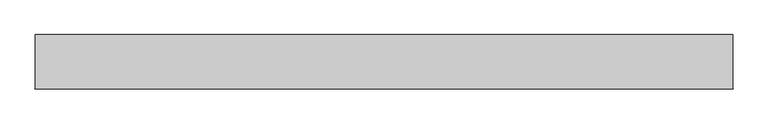
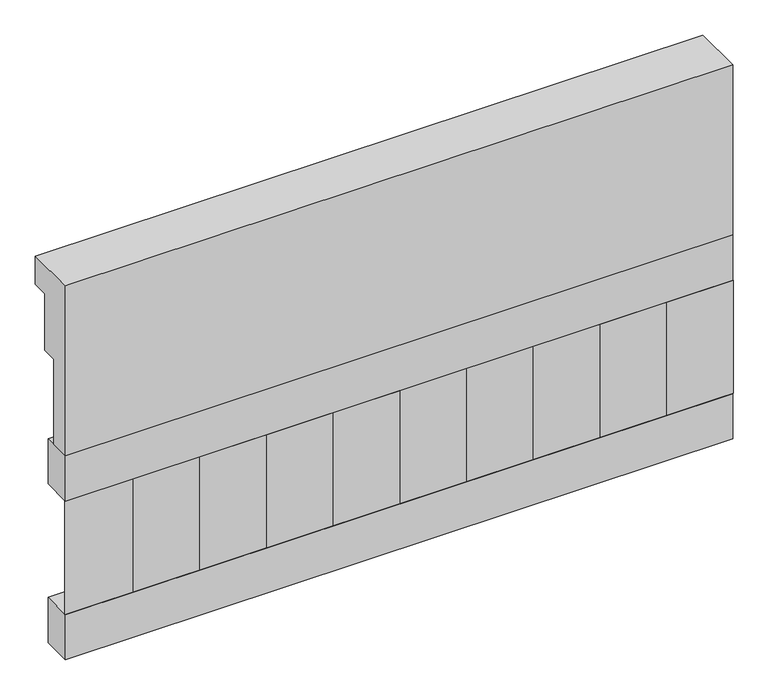
"""IFC4 building model written with IfcOpenShell, lengths in millimetres: railing geometry."""

from ifc_helpers import new_model, si_unit, frame, origin, place, context, project, spatial, polyline, outline, extrude, source, transform, mapped, element, save


def railing_798dd999(model_context):
    return source(origin(), model_context, "Body", "SweptSolid", [
        extrude(outline(polyline([(903.1079487, 28400.0), (1033.1079487, 28400.0), (1033.1079487, 28325.0), (993.1079487, 28325.0), (993.1079487, 28175.0), (953.1079487, 28175.0), (953.1079487, 27950.0), (903.1079487, 27950.0), (903.1079487, 28400.0)])), frame((-40039.9887159, 0.0, 0.0), z_axis=(1.0, 0.0, 0.0), x_axis=(0.0, 1.0, 0.0)), (0.0, 0.0, 1.0), 1670.0),
        extrude(outline(polyline([(-38369.9887159, 978.1079487), (-38369.9887159, 903.1079487), (-40039.9887159, 903.1079487), (-40039.9887159, 978.1079487), (-38369.9887159, 978.1079487)])), frame((0.0, 0.0, 27830.0), z_axis=(0.0, 0.0, 1.0), x_axis=(1.0, 0.0, 0.0)), (0.0, 0.0, 1.0), 120.0),
        extrude(outline(polyline([(-38369.9887159, 978.1079487), (-38369.9887159, 903.1079487), (-40039.9887159, 903.1079487), (-40039.9887159, 978.1079487), (-38369.9887159, 978.1079487)])), frame((0.0, 0.0, 27410.0), z_axis=(0.0, 0.0, 1.0), x_axis=(1.0, 0.0, 0.0)), (0.0, 0.0, 1.0), 120.0),
        extrude(outline(polyline([(-39956.4887159, 987.9607624), (-39871.6359022, 903.1079487), (-40041.3415296, 903.1079487), (-39956.4887159, 987.9607624)])), frame((0.0, 0.0, 27530.0), z_axis=(0.0, 0.0, 1.0), x_axis=(1.0, 0.0, 0.0)), (0.0, 0.0, 1.0), 300.0),
        extrude(outline(polyline([(-39789.4887159, 987.9607624), (-39704.6359022, 903.1079487), (-39874.3415296, 903.1079487), (-39789.4887159, 987.9607624)])), frame((0.0, 0.0, 27530.0), z_axis=(0.0, 0.0, 1.0), x_axis=(1.0, 0.0, 0.0)), (0.0, 0.0, 1.0), 300.0),
        extrude(outline(polyline([(-39622.4887159, 987.9607624), (-39537.6359022, 903.1079487), (-39707.3415296, 903.1079487), (-39622.4887159, 987.9607624)])), frame((0.0, 0.0, 27530.0), z_axis=(0.0, 0.0, 1.0), x_axis=(1.0, 0.0, 0.0)), (0.0, 0.0, 1.0), 300.0),
        extrude(outline(polyline([(-39455.4887159, 987.9607624), (-39370.6359022, 903.1079487), (-39540.3415296, 903.1079487), (-39455.4887159, 987.9607624)])), frame((0.0, 0.0, 27530.0), z_axis=(0.0, 0.0, 1.0), x_axis=(1.0, 0.0, 0.0)), (0.0, 0.0, 1.0), 300.0),
        extrude(outline(polyline([(-39288.4887159, 987.9607624), (-39203.6359022, 903.1079487), (-39373.3415296, 903.1079487), (-39288.4887159, 987.9607624)])), frame((0.0, 0.0, 27530.0), z_axis=(0.0, 0.0, 1.0), x_axis=(1.0, 0.0, 0.0)), (0.0, 0.0, 1.0), 300.0),
        extrude(outline(polyline([(-39121.4887159, 987.9607624), (-39036.6359022, 903.1079487), (-39206.3415296, 903.1079487), (-39121.4887159, 987.9607624)])), frame((0.0, 0.0, 27530.0), z_axis=(0.0, 0.0, 1.0), x_axis=(1.0, 0.0, 0.0)), (0.0, 0.0, 1.0), 300.0),
        extrude(outline(polyline([(-38954.4887159, 987.9607624), (-38869.6359022, 903.1079487), (-39039.3415296, 903.1079487), (-38954.4887159, 987.9607624)])), frame((0.0, 0.0, 27530.0), z_axis=(0.0, 0.0, 1.0), x_axis=(1.0, 0.0, 0.0)), (0.0, 0.0, 1.0), 300.0),
        extrude(outline(polyline([(-38787.4887159, 987.9607624), (-38702.6359022, 903.1079487), (-38872.3415296, 903.1079487), (-38787.4887159, 987.9607624)])), frame((0.0, 0.0, 27530.0), z_axis=(0.0, 0.0, 1.0), x_axis=(1.0, 0.0, 0.0)), (0.0, 0.0, 1.0), 300.0),
        extrude(outline(polyline([(-38620.4887159, 987.9607624), (-38535.6359022, 903.1079487), (-38705.3415296, 903.1079487), (-38620.4887159, 987.9607624)])), frame((0.0, 0.0, 27530.0), z_axis=(0.0, 0.0, 1.0), x_axis=(1.0, 0.0, 0.0)), (0.0, 0.0, 1.0), 300.0),
        extrude(outline(polyline([(-38453.4887159, 987.9607624), (-38368.6359022, 903.1079487), (-38538.3415296, 903.1079487), (-38453.4887159, 987.9607624)])), frame((0.0, 0.0, 27530.0), z_axis=(0.0, 0.0, 1.0), x_axis=(1.0, 0.0, 0.0)), (0.0, 0.0, 1.0), 300.0),
    ])


if __name__ == "__main__":
    model = new_model("IFC4")
    model_context = context("Model", 3, world=origin())
    ifc_project = project(units=[si_unit("LENGTHUNIT", "METRE", prefix="MILLI")], contexts=[model_context])
    site = spatial("IfcSite", under=ifc_project)
    building = spatial("IfcBuilding", under=site)
    placement = place(None, origin())
    railing_shape = railing_798dd999(model_context)
    element("IfcRailing", 1, at=placement, inside=building, context=model_context, shape_type="MappedRepresentation", body=[
        mapped(railing_shape, transform((0.0, 0.0, 0.0), x_axis=(1.0, 0.0, 0.0), y_axis=(0.0, 1.0, 0.0), z_axis=(0.0, 0.0, 1.0))),
    ])
    save(model, "model.ifc")
